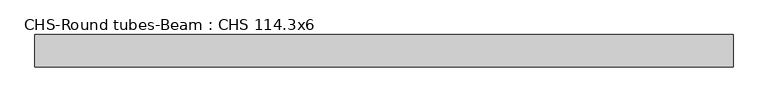
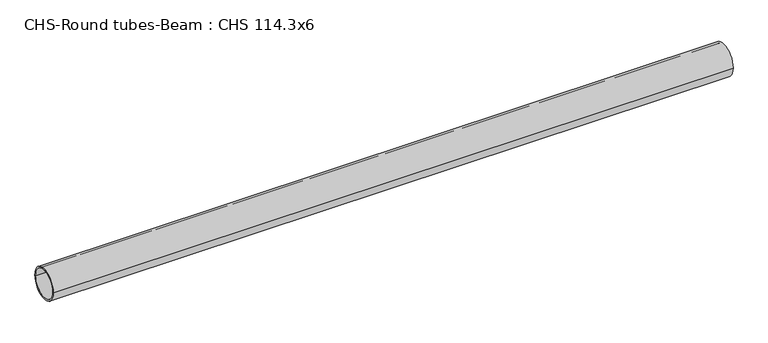
"""IFC4 building model written with IfcOpenShell, lengths in millimetres: beam geometry, CHS-Round tubes-Beam : CHS 114.3x6."""

from ifc_helpers import new_model, si_unit, point, frame, origin, origin_2d, place, context, project, spatial, circle_curve, trimmed, segment, composite_curve, outline, extrude, source, transform, mapped, element, save


def chs_round_tubes_beam_chs_114_3x6_37725e65(model_context):
    return source(origin(), model_context, "Body", "SweptSolid", [
        extrude(outline(composite_curve([segment(trimmed(circle_curve(origin_2d(), 57.15), [point((57.15, 0.0))], [point((-57.15, 0.0))], False, "CARTESIAN"), True, "CONTINUOUS"), segment(trimmed(circle_curve(origin_2d(), 57.15), [point((-57.15, 0.0))], [point((57.15, 0.0))], False, "CARTESIAN"), True, "CONTINUOUS")], self_intersect=False), holes=[composite_curve([segment(trimmed(circle_curve(origin_2d(), 51.15), [point((51.15, 0.0))], [point((-51.15, 0.0))], True, "CARTESIAN"), True, "CONTINUOUS"), segment(trimmed(circle_curve(origin_2d(), 51.15), [point((-51.15, 0.0))], [point((51.15, 0.0))], True, "CARTESIAN"), True, "CONTINUOUS")], self_intersect=False)]), frame((-1165.6332948, 0.0, 0.0), z_axis=(1.0, 0.0, 0.0), x_axis=(0.0, 1.0, 0.0)), (0.0, 0.0, 1.0), 2450.3520626),
    ])


if __name__ == "__main__":
    model = new_model("IFC4")
    model_context = context("Model", 3, world=origin())
    ifc_project = project(units=[si_unit("LENGTHUNIT", "METRE", prefix="MILLI")], contexts=[model_context])
    site = spatial("IfcSite", under=ifc_project)
    building = spatial("IfcBuilding", under=site)
    placement = place(None, origin())
    chs_round_tubes_beam_chs_114_3x6_shape = chs_round_tubes_beam_chs_114_3x6_37725e65(model_context)
    element("IfcBeam", 1, ObjectType="CHS-Round tubes-Beam : CHS 114.3x6", at=placement, inside=building, context=model_context, shape_type="MappedRepresentation", body=[
        mapped(chs_round_tubes_beam_chs_114_3x6_shape, transform((0.0, 0.0, 0.0), x_axis=(1.0, 0.0, 0.0), y_axis=(0.0, 1.0, 0.0), z_axis=(0.0, 0.0, 1.0))),
    ])
    save(model, "model.ifc")
